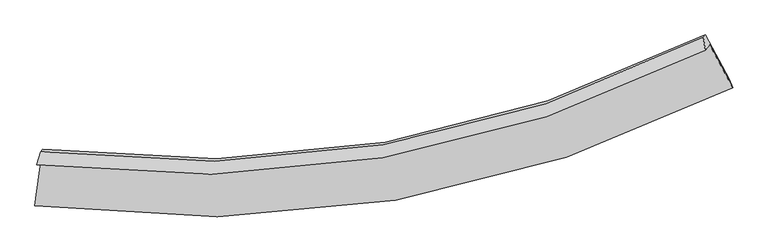
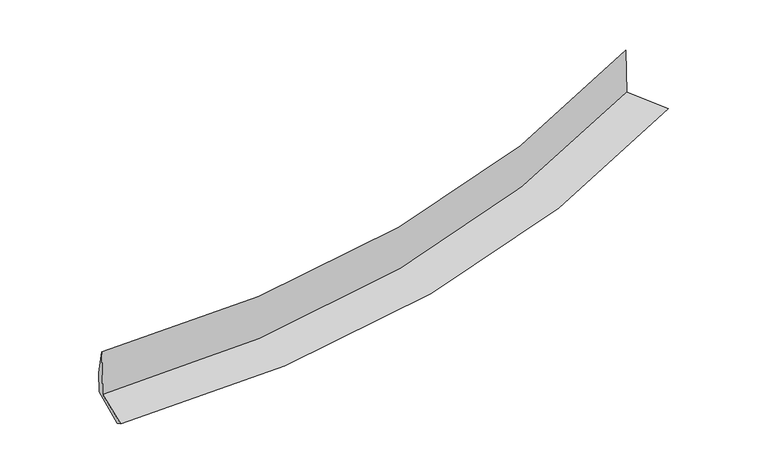
"""IFC4 building model written with IfcOpenShell, lengths in millimetres: proxy geometry."""

from ifc_helpers import new_model, si_unit, frame, origin, place, context, project, spatial, source, transform, mapped, element, save
from ifc_brep_helpers import plane_surface, spline_curve, spline_surface, advanced_brep


def generic_models_5463e8ac(model_context):
    return source(origin(), model_context, "Body", "AdvancedBrep", [
        advanced_brep(
        [(-4749.1696495, -2049.5299457, 1400.1799352), (-4838.7392266, -2705.7333697, 1328.0647004), (4918.3329117, -1053.8847463, 2271.7354723), (4596.9223272, -452.7065338, 2306.0342013), (-4811.6325133, -2128.1831023, 2193.4553518), (4535.82268, -529.6431299, 3081.9968314), (-4755.0904816, -1952.4334122, 1708.1065208), (4509.8974277, -351.2677245, 2562.1279363), (-4727.307359, -1917.4489406, 1355.2621784), (4537.5950851, -316.3908705, 2210.3689971), (-4814.3422587, -2570.2242758, 1251.4829446), (4871.4838397, -934.8900544, 2150.520399)],
        [
            (0, 1),
            (1, 2, spline_curve(3, [(-4838.7392266, -2705.7333697, 1328.0647004), (-3114.255130793, -2932.755912201, 1443.149865812), (-1434.025319645, -2906.13119614, 1579.970077194), (1817.218880095, -2349.134700651, 1895.073728416), (3389.346448221, -1825.143209029, 2072.810441096), (4918.3329117, -1053.8847463, 2271.7354723)], [4, 2, 4], [0.0, 16.25469495963161, 32.30365115995997])),
            (2, 3),
            (3, 0, spline_curve(3, [(4596.9223272, -452.7065338, 2306.0342013), (3134.640139307, -1189.065233816, 2115.82180176), (1629.890611891, -1690.968495189, 1945.580511806), (-1484.377585228, -2229.292674869, 1643.11377003), (-3094.992050821, -2259.663883978, 1511.403638528), (-4749.1696495, -2049.5299457, 1400.1799352)], [4, 2, 4], [0.0, 16.04895620032836, 32.30365115995997])),
            (4, 0),
            (3, 5),
            (5, 4, spline_curve(3, [(4535.82268, -529.6431299, 3081.9968314), (3074.000127569, -1265.423057462, 2885.947079108), (1569.369723394, -1767.176319468, 2714.192937193), (-1545.344093438, -2306.061622127, 2417.385538641), (-3156.532087041, -2337.155016846, 2292.959187093), (-4811.6325133, -2128.1831023, 2193.4553518)], [4, 2, 4], [0.0, 15.704188794122096, 31.609696619714946])),
            (6, 4),
            (5, 7),
            (7, 6, spline_curve(3, [(4509.8974277, -351.2677245, 2562.1279363), (3061.705147759, -1083.60844605, 2384.818806491), (1570.718299722, -1583.847184757, 2225.334801241), (-1516.506765023, -2123.558062847, 1940.201049898), (-3113.849219714, -2157.041219606, 1815.011250261), (-4755.0904816, -1952.4334122, 1708.1065208)], [4, 2, 4], [0.0, 15.6349492704134, 31.47032995982452])),
            (8, 6),
            (7, 9),
            (9, 8, spline_curve(3, [(4537.5950851, -316.3908705, 2210.3689971), (3090.517767959, -1047.327632643, 2018.899894484), (1600.098983455, -1546.8510666, 1852.201509184), (-1487.083481643, -2086.508302159, 1566.526738455), (-3084.965511582, -2120.670891781, 1448.189517665), (-4727.307359, -1917.4489406, 1355.2621784)], [4, 2, 4], [0.0, 15.565761805132109, 31.33106808414921])),
            (10, 8),
            (9, 11),
            (11, 10, spline_curve(3, [(4871.4838397, -934.8900544, 2150.520399), (3350.101303241, -1687.269368587, 1968.721180925), (1787.661697168, -2200.402439647, 1803.27412756), (-1439.887596806, -2751.687173499, 1503.173037277), (-3106.056690392, -2783.665509588, 1368.940939104), (-4814.3422587, -2570.2242758, 1251.4829446)], [4, 2, 4], [0.0, 15.911382583421357, 32.02674030831923])),
            (1, 10),
            (11, 2),
        ],
        [
            spline_surface(3, 3, [[(-4749.1696495, -2049.5299457, 1400.1799352), (-3094.992050727, -2259.663883752, 1511.403638296), (-1484.377585441, -2229.292674645, 1643.113770298), (1629.890612102, -1690.968495411, 1945.580511541), (3134.640139052, -1189.06523389, 2115.821801598), (4596.9223272, -452.7065338, 2306.0342013)], [(-4779.0261752, -2268.264420362, 1376.141523588), (-3101.413077334, -2484.027893311, 1488.652380777), (-1467.593496797, -2454.905515127, 1622.065872584), (1692.333368031, -1910.357230507, 1928.744917123), (3219.542242131, -1401.09122567, 2101.484681358), (4704.059188703, -653.099271287, 2294.601291642)], [(-4808.8827009, -2486.998895038, 1352.103112012), (-3107.834103942, -2708.391902884, 1465.901123291), (-1450.809408118, -2680.51835561, 1601.017974954), (1754.776123996, -2129.745965603, 1911.909322789), (3304.444345201, -1613.11721749, 2087.147561094), (4811.196050197, -853.492008813, 2283.168381958)], [(-4838.7392266, -2705.7333697, 1328.0647004), (-3114.255130549, -2932.755912443, 1443.149865771), (-1434.025319473, -2906.131196092, 1579.97007724), (1817.218879926, -2349.134700698, 1895.073728371), (3389.34644828, -1825.14320927, 2072.810440854), (4918.3329117, -1053.8847463, 2271.7354723)]], [4, 4], [4, 2, 4], [0.0, 2.2321063906853365], [0.0, 16.25469495963161, 32.30365115995997]),
            spline_surface(3, 3, [[(-4811.6325133, -2128.1831023, 2193.4553518), (-3156.532086859, -2337.155016958, 2292.95918716), (-1545.34409339, -2306.061621967, 2417.385538639), (1569.369723346, -1767.176319626, 2714.192937194), (3074.000127644, -1265.423057201, 2885.94707888), (4535.82268, -529.6431299, 3081.9968314)], [(-4790.811558699, -2101.965383438, 1929.030212943), (-3136.018741481, -2311.324639227, 2032.440670882), (-1525.021924064, -2280.471972872, 2159.294949191), (1589.543352941, -1741.773711567, 2457.988795309), (3094.213464779, -1239.970449459, 2629.2386531), (4556.189229066, -503.997597894, 2823.342621347)], [(-4769.990604101, -2075.747664562, 1664.605074057), (-3115.505396105, -2285.494261483, 1771.922154575), (-1504.699754767, -2254.882323739, 1901.204359747), (1609.716982507, -1716.37110347, 2201.784653427), (3114.426801916, -1214.517841633, 2372.530227378), (4576.555778134, -478.352065806, 2564.688411353)], [(-4749.1696495, -2049.5299457, 1400.1799352), (-3094.992050727, -2259.663883752, 1511.403638296), (-1484.377585441, -2229.292674645, 1643.113770298), (1629.890612102, -1690.968495411, 1945.580511541), (3134.640139052, -1189.06523389, 2115.821801598), (4596.9223272, -452.7065338, 2306.0342013)]], [4, 4], [4, 2, 4], [0.0, 2.551305056703356], [0.0, 15.90550782559285, 31.609696619714946]),
            spline_surface(3, 3, [[(-4755.0904816, -1952.4334122, 1708.1065208), (-3113.849219944, -2157.041219655, 1815.011250387), (-1516.50676505, -2123.558062661, 1940.201050053), (1570.718299749, -1583.84718494, 2225.334801088), (3061.705148004, -1083.608446031, 2384.818806566), (4509.8974277, -351.2677245, 2562.1279363)], [(-4773.937825513, -2011.016642234, 1869.889464462), (-3128.076842262, -2217.07915209, 1974.327229306), (-1526.119207814, -2184.392582412, 2099.262546253), (1570.268774297, -1644.956896485, 2388.287513128), (3065.803474563, -1144.213316395, 2551.861564005), (4518.539178478, -410.72619294, 2735.417568001)], [(-4792.785169387, -2069.599872266, 2031.672408138), (-3142.304464541, -2277.117084523, 2133.64320824), (-1535.731650626, -2245.227102216, 2258.324042439), (1569.819248798, -1706.066608082, 2551.240225154), (3069.901801085, -1204.818186838, 2718.904321442), (4527.180929222, -470.18466146, 2908.707199699)], [(-4811.6325133, -2128.1831023, 2193.4553518), (-3156.532086859, -2337.155016958, 2292.95918716), (-1545.34409339, -2306.061621967, 2417.385538639), (1569.369723346, -1767.176319626, 2714.192937194), (3074.000127644, -1265.423057201, 2885.94707888), (4535.82268, -529.6431299, 3081.9968314)]], [4, 4], [4, 2, 4], [0.0, 1.6950485043128876], [0.0, 15.83538068941112, 31.47032995982452]),
            spline_surface(3, 3, [[(-4727.307359, -1917.4489406, 1355.2621784), (-3084.965511323, -2120.670891573, 1448.189517561), (-1487.08348142, -2086.508302217, 1566.526738392), (1600.098983234, -1546.851066543, 1852.201509247), (3090.517768039, -1047.327632537, 2018.899894637), (4537.5950851, -316.3908705, 2210.3689971)], [(-4736.568399845, -1929.110431147, 1472.876959203), (-3094.593414175, -2132.794334281, 1570.463428506), (-1496.891242654, -2098.858222364, 1691.084842281), (1590.305422048, -1559.183106008, 1976.579273196), (3080.91356136, -1059.421237053, 2140.872865288), (4528.362532633, -328.016488518, 2327.621976842)], [(-4745.829440755, -1940.771921653, 1590.491739997), (-3104.221317091, -2144.917776948, 1692.737339442), (-1506.699003815, -2111.208142514, 1815.642946163), (1580.511860935, -1571.515145475, 2100.957037138), (3071.309354683, -1071.514841515, 2262.845835915), (4519.129980167, -339.642106482, 2444.874956558)], [(-4755.0904816, -1952.4334122, 1708.1065208), (-3113.849219944, -2157.041219655, 1815.011250387), (-1516.50676505, -2123.558062661, 1940.201050053), (1570.718299749, -1583.84718494, 2225.334801088), (3061.705148004, -1083.608446031, 2384.818806566), (4509.8974277, -351.2677245, 2562.1279363)]], [4, 4], [4, 2, 4], [0.0, 1.234867076568578], [0.0, 15.7653062790171, 31.33106808414921]),
            spline_surface(3, 3, [[(-4814.3422587, -2570.2242758, 1251.4829446), (-3106.056690294, -2783.665509652, 1368.94093905), (-1439.887596964, -2751.687173566, 1503.173037303), (1787.661697324, -2200.402439581, 1803.274127534), (3350.101303436, -1687.269368542, 1968.721180712), (4871.4838397, -934.8900544, 2150.520399)], [(-4785.330625459, -2352.632497406, 1286.076022535), (-3099.026297296, -2562.667303632, 1395.357131889), (-1455.619558428, -2529.960883124, 1524.290937662), (1725.140792648, -1982.551981909, 1819.583254768), (3263.573458296, -1473.955456548, 1985.447418677), (4760.187588159, -728.723659774, 2170.46993169)], [(-4756.318992241, -2135.040718994, 1320.669100465), (-3091.995904321, -2341.669097593, 1421.773324722), (-1471.351519955, -2308.234592659, 1545.408838032), (1662.61988791, -1764.701524215, 1835.892382013), (3177.045613179, -1260.641544531, 2002.173656672), (4648.891336641, -522.557265126, 2190.41946441)], [(-4727.307359, -1917.4489406, 1355.2621784), (-3084.965511323, -2120.670891573, 1448.189517561), (-1487.08348142, -2086.508302217, 1566.526738392), (1600.098983234, -1546.851066543, 1852.201509247), (3090.517768039, -1047.327632537, 2018.899894637), (4537.5950851, -316.3908705, 2210.3689971)]], [4, 4], [4, 2, 4], [0.0, 2.2047386917761314], [0.0, 16.115357724897876, 32.02674030831923]),
            spline_surface(3, 3, [[(-4838.7392266, -2705.7333697, 1328.0647004), (-3114.255130549, -2932.755912443, 1443.149865771), (-1434.025319473, -2906.131196092, 1579.97007724), (1817.218879926, -2349.134700698, 1895.073728371), (3389.34644828, -1825.14320927, 2072.810440854), (4918.3329117, -1053.8847463, 2271.7354723)], [(-4830.606903983, -2660.563671713, 1302.537448469), (-3111.522317148, -2883.059111492, 1418.413556866), (-1435.979411981, -2854.649855248, 1554.371063954), (1807.366485715, -2299.557280324, 1864.473861451), (3376.264733325, -1779.185262348, 2038.114020819), (4902.71655436, -1014.219848987, 2231.330447879)], [(-4822.474581317, -2615.393973787, 1277.010196531), (-3108.789503696, -2833.362310603, 1393.677247955), (-1437.933504457, -2803.16851441, 1528.772050589), (1797.514091535, -2249.979859956, 1833.873994453), (3363.183018391, -1733.227315464, 2003.417600747), (4887.10019704, -974.554951713, 2190.925423421)], [(-4814.3422587, -2570.2242758, 1251.4829446), (-3106.056690294, -2783.665509652, 1368.94093905), (-1439.887596964, -2751.687173566, 1503.173037303), (1787.661697324, -2200.402439581, 1803.274127534), (3350.101303436, -1687.269368542, 1968.721180712), (4871.4838397, -934.8900544, 2150.520399)]], [4, 4], [4, 2, 4], [0.0, 0.57192300033014], [0.0, 16.53465695609311, 32.86003162075597]),
            plane_surface(frame((4661.6757119, -606.4638432, 2430.4639729), z_axis=(0.8787288727123257, 0.4632307996555019, 0.11512078227778823), x_axis=(-0.07811680440082724, -0.09836457815757048, 0.9920797219145678))),
            plane_surface(frame((-4782.7135814, -2220.5921744, 1539.4252718), z_axis=(-0.9878367913671129, 0.1418390382153587, -0.0637193915513086), x_axis=(0.13444790251892572, 0.9849904045228232, 0.10824816167596808))),
        ],
        [
            (0, [[1, 2, 3, 4]]),
            (1, [[5, -4, 6, 7]]),
            (2, [[8, -7, 9, 10]]),
            (3, [[11, -10, 12, 13]]),
            (4, [[14, -13, 15, 16]]),
            (5, [[17, -16, 18, -2]]),
            (6, [[-12, -9, -6, -3, -18, -15]]),
            (7, [[-1, -5, -8, -11, -14, -17]]),
        ],
    ),
    ])


if __name__ == "__main__":
    model = new_model("IFC4")
    model_context = context("Model", 3, world=origin())
    ifc_project = project(units=[si_unit("LENGTHUNIT", "METRE", prefix="MILLI")], contexts=[model_context])
    site = spatial("IfcSite", under=ifc_project)
    building = spatial("IfcBuilding", under=site)
    placement = place(None, origin())
    generic_models_shape = generic_models_5463e8ac(model_context)
    element("IfcBuildingElementProxy", 1, Name="Generic Models", at=placement, inside=building, context=model_context, shape_type="MappedRepresentation", body=[
        mapped(generic_models_shape, transform((0.0, 0.0, 0.0), x_axis=(1.0, 0.0, 0.0), y_axis=(0.0, 1.0, 0.0), z_axis=(0.0, 0.0, 1.0))),
    ])
    save(model, "model.ifc")
